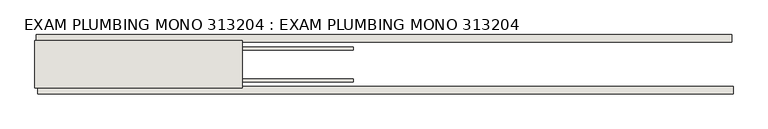
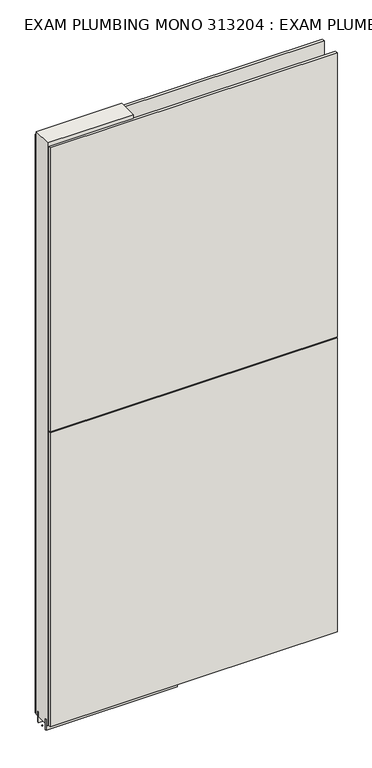
"""IFC4 building model written with IfcOpenShell, lengths in millimetres: wall geometry, EXAM PLUMBING MONO 313204 : EXAM PLUMBING MONO 313204."""

from ifc_helpers import new_model, si_unit, frame, origin, place, context, project, spatial, polyline, outline, extrude, source, transform, mapped, element, save


def exam_plumbing_mono_313204_exam_plumbing_mono_313204_64392524(model_context):
    return source(origin(), model_context, "Body", "SweptSolid", [
        extrude(outline(polyline([(71587.455504, -53335.9245954), (71584.915504, -53335.9245954), (71584.915504, -53333.3845954), (71587.455504, -53333.3845954), (71587.455504, -53335.9245954)])), frame((0.0, 0.0, 4419.6), z_axis=(0.0, 0.0, 1.0), x_axis=(1.0, 0.0, 0.0)), (0.0, 0.0, 1.0), 2.54),
        extrude(outline(polyline([(71586.912198, -53283.8545954), (72780.412224, -53283.8545954), (72780.412224, -53296.5545954), (71586.912198, -53296.5545954), (71586.912198, -53283.8545954)])), frame((0.0, 0.0, 4445.0), z_axis=(0.0, 0.0, 1.0), x_axis=(1.0, 0.0, 0.0)), (0.0, 0.0, 1.0), 2545.0498756),
        extrude(outline(polyline([(72782.8802912, -53385.4545954), (71589.3802652, -53385.4545954), (71589.3802652, -53372.7545954), (72782.8802912, -53372.7545954), (72782.8802912, -53385.4545954)])), frame((0.0, 0.0, 4445.0), z_axis=(0.0, 0.0, 1.0), x_axis=(1.0, 0.0, 0.0)), (0.0, 0.0, 1.0), 1293.400004),
        extrude(outline(polyline([(72782.8802912, -53385.4545954), (71589.3802652, -53385.4545954), (71589.3802652, -53372.7545954), (72782.8802912, -53372.7545954), (72782.8802912, -53385.4545954)])), frame((0.0, 0.0, 5742.4000722), z_axis=(0.0, 0.0, 1.0), x_axis=(1.0, 0.0, 0.0)), (0.0, 0.0, 1.0), 1247.649905),
        extrude(outline(polyline([(72131.020457, -53309.5708508), (71584.920457, -53309.5708508), (71584.920457, -53304.4920954), (72131.020457, -53304.4920954), (72131.020457, -53309.5708508)])), frame((0.0, 0.0, 4418.6602), z_axis=(0.0, 0.0, 1.0), x_axis=(1.0, 0.0, 0.0)), (0.0, 0.0, 1.0), 47.625),
        extrude(outline(polyline([(72131.020457, -53309.5708508), (71584.920457, -53309.5708508), (71584.920457, -53304.4920954), (72131.020457, -53304.4920954), (72131.020457, -53309.5708508)])), frame((0.0, 0.0, 4418.6602), z_axis=(0.0, 0.0, 1.0), x_axis=(1.0, 0.0, 0.0)), (0.0, 0.0, 1.0), 47.625),
        extrude(outline(polyline([(71584.920457, -53359.73834), (72131.020457, -53359.73834), (72131.020457, -53364.8170954), (71584.920457, -53364.8170954), (71584.920457, -53359.73834)])), frame((0.0, 0.0, 4418.6602), z_axis=(0.0, 0.0, 1.0), x_axis=(1.0, 0.0, 0.0)), (0.0, 0.0, 1.0), 47.625),
        extrude(outline(polyline([(71584.920457, -53359.73834), (72131.020457, -53359.73834), (72131.020457, -53364.8170954), (71584.920457, -53364.8170954), (71584.920457, -53359.73834)])), frame((0.0, 0.0, 4418.6602), z_axis=(0.0, 0.0, 1.0), x_axis=(1.0, 0.0, 0.0)), (0.0, 0.0, 1.0), 47.625),
        extrude(outline(polyline([(71940.520457, -53293.999711), (71940.520457, -53375.3032822), (71584.920457, -53375.3032822), (71584.920457, -53293.999711), (71940.520457, -53293.999711)])), frame((0.0, 0.0, 4445.0), z_axis=(0.0, 0.0, 1.0), x_axis=(1.0, 0.0, 0.0)), (0.0, 0.0, 1.0), 2562.4536762),
    ])


if __name__ == "__main__":
    model = new_model("IFC4")
    model_context = context("Model", 3, world=origin())
    ifc_project = project(units=[si_unit("LENGTHUNIT", "METRE", prefix="MILLI")], contexts=[model_context])
    site = spatial("IfcSite", under=ifc_project)
    building = spatial("IfcBuilding", under=site)
    placement = place(None, origin())
    exam_plumbing_mono_313204_exam_plumbing_mono_313204_shape = exam_plumbing_mono_313204_exam_plumbing_mono_313204_64392524(model_context)
    element("IfcWall", 1, ObjectType="EXAM PLUMBING MONO 313204 : EXAM PLUMBING MONO 313204", at=placement, inside=building, context=model_context, shape_type="MappedRepresentation", body=[
        mapped(exam_plumbing_mono_313204_exam_plumbing_mono_313204_shape, transform((0.0, 0.0, 0.0), x_axis=(1.0, 0.0, 0.0), y_axis=(0.0, 1.0, 0.0), z_axis=(0.0, 0.0, 1.0))),
    ])
    save(model, "model.ifc")
